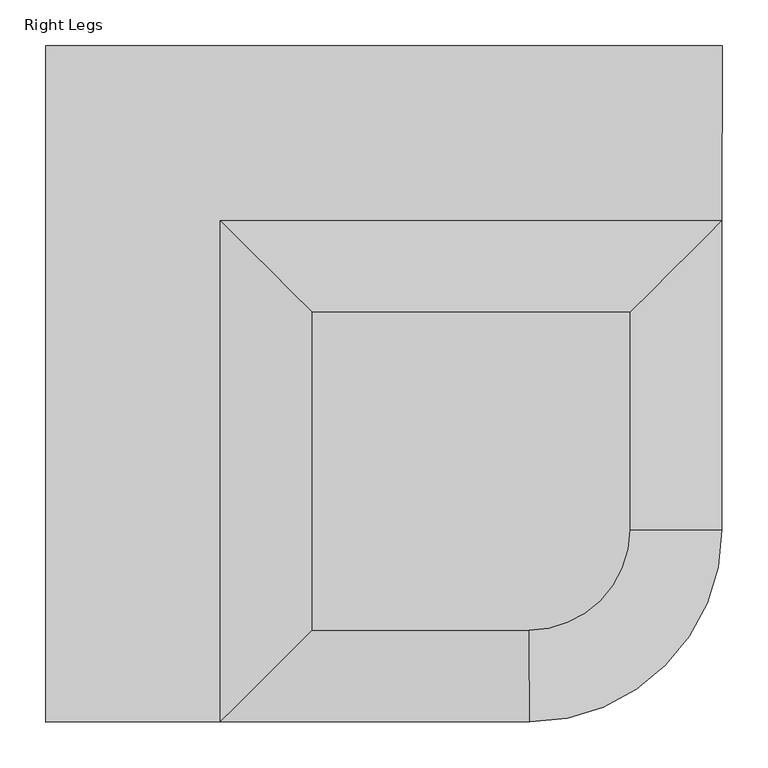
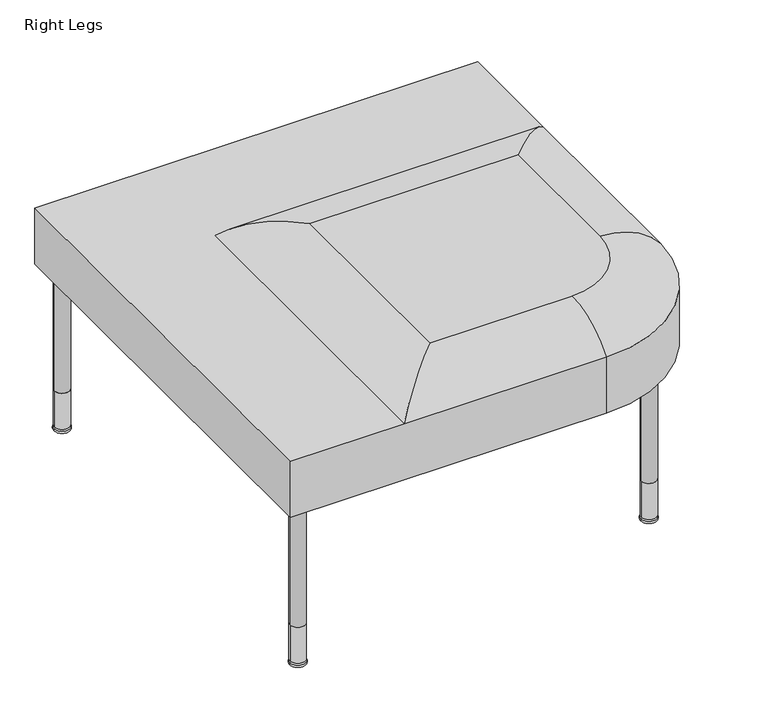
"""IFC4 building model written with IfcOpenShell, lengths in millimetres: furniture geometry, Right Legs."""

from ifc_helpers import new_model, si_unit, point, frame, frame_2d, origin, place, context, project, spatial, polyline, circle_curve, ellipse_curve, trimmed, segment, composite_curve, outline, extrude, source, transform, mapped, element, save
from ifc_brep_helpers import plane_surface, cylinder_surface, revolved_surface, advanced_brep


def right_legs_cd9412fd(model_context):
    return source(origin(), model_context, "Body", "SolidModel", [
        advanced_brep(
        [(526.8740745, -736.3401743, 282.440064), (736.3206968, -526.901289, 282.440064), (736.3206968, -526.901289, 335.7265923), (736.3206968, -526.901289, 381.0), (526.8740745, -736.3401743, 381.0), (526.8740745, -736.3401743, 335.7265923), (721.8792832, -526.8936331, 282.440064), (526.8669522, -721.8987605, 282.440064), (526.8669522, -721.8987605, 335.7265923), (721.8792832, -526.8936331, 335.7265923), (736.6000242, 0.0, 282.440064), (736.6000242, 0.0, 335.7265923), (736.6000242, 0.0, 381.0), (736.4992956, -190.0064436, 381.0), (722.1509508, -14.4414156, 282.440064), (722.1509508, -14.4414156, 335.7265923), (0.0, 0.0, 282.440064), (0.0, 0.0, 335.7265923), (0.0, 0.0, 381.0), (14.4414156, -14.4414156, 282.440064), (14.4414156, -14.4414156, 335.7265923), (0.0, -736.6000242, 282.440064), (0.0, -736.6000242, 335.7265923), (0.0, -736.6000242, 381.0), (14.4414156, -722.1514845, 282.440064), (14.4414156, -722.1514845, 335.7265923), (189.5444624, -736.5065425, 381.0), (189.5444624, -190.0064436, 381.0), (289.3762689, -636.6254876, 427.8106965), (289.3762689, -289.8382502, 427.8106965), (636.614551, -289.8382502, 427.8106965), (636.4889043, -526.8483649, 427.8106965), (526.8248383, -636.5083799, 427.8106965)],
        [
            (0, 1, circle_curve(frame((526.7707262, -526.7901997, 282.440064), z_axis=(0.0, 0.0, 1.0), x_axis=(0.0004931917174324377, -0.9999998783809575, 0.0)), 209.55)),
            (1, 2),
            (2, 3),
            (3, 4, circle_curve(frame((526.7707262, -526.7901997, 381.0), z_axis=(0.0, 0.0, -1.0), x_axis=(0.0004931917174324377, -0.9999998783809575, 0.0)), 209.55)),
            (4, 5),
            (5, 0),
            (6, 7, circle_curve(frame((526.7707262, -526.7901997, 282.440064), z_axis=(0.0, 0.0, -1.0), x_axis=(0.0004931917174324377, -0.9999998783809575, 0.0)), 195.1085844)),
            (7, 8),
            (8, 9, circle_curve(frame((526.7707262, -526.7901997, 335.7265923), z_axis=(0.0, 0.0, 1.0), x_axis=(0.0004931917174324377, -0.9999998783809575, 0.0)), 195.1085844)),
            (9, 6),
            (1, 10),
            (10, 11),
            (11, 12),
            (12, 13),
            (13, 3),
            (14, 6),
            (9, 15),
            (15, 14),
            (10, 16),
            (16, 17),
            (17, 18),
            (18, 12),
            (19, 14),
            (15, 20),
            (20, 19),
            (16, 21),
            (21, 22),
            (22, 23),
            (23, 18),
            (24, 19),
            (20, 25),
            (25, 24),
            (21, 0),
            (4, 26),
            (26, 23),
            (26, 27),
            (27, 13),
            (7, 24),
            (25, 8),
            (26, 28, ellipse_curve(frame((289.3762689, -636.6254876, 297.9511579), z_axis=(-0.7072811292963492, 0.7069323900779204, 0.0), x_axis=(-0.7069323900779205, -0.7072811292963492, 0.0)), 183.6944246, 129.8595386)),
            (28, 29),
            (29, 27, ellipse_curve(frame((289.3762689, -289.8382502, 297.9511579), z_axis=(-0.7071067811865491, -0.7071067811865459, 0.0), x_axis=(0.7071067811865458, -0.7071067811865491, 0.0)), 183.6491207, 129.8595386)),
            (29, 30),
            (30, 13, ellipse_curve(frame((636.614551, -289.8382502, 297.9511579), z_axis=(-0.7069193262538219, 0.7072941864378942, 0.0), x_axis=(-0.707294186437894, -0.7069193262538219, 0.0)), 183.6978192, 129.8595386)),
            (30, 31),
            (31, 3, circle_curve(frame((636.4889043, -526.8483649, 297.9511579), z_axis=(0.0005301323376821898, 0.9999998594798424, 0.0), x_axis=(0.9999998594798424, -0.0005301323376821898, 0.0)), 129.8595386)),
            (31, 32, circle_curve(frame((526.7707262, -526.7901997, 427.8106965), z_axis=(0.0, 0.0, -1.0), x_axis=(0.9999998594798425, -0.0005301323376812425, 0.0)), 109.7181935)),
            (32, 4, circle_curve(frame((526.8248383, -636.5083799, 297.9511579), z_axis=(0.9999998783809576, 0.0004931917174273615, 0.0), x_axis=(0.0004931917174273611, -0.9999998783809578, 0.0)), 129.8595386)),
            (28, 32),
        ],
        [
            cylinder_surface(frame((526.7707262, -526.7901997, 381.0), z_axis=(0.0, 0.0, 1.0), x_axis=(0.0004931917174324377, -0.9999998783809575, 0.0)), 209.55),
            revolved_surface(polyline([(526.866952137826, -721.8987603710808, 335.7265923), (526.866952137826, -721.8987603710808, 282.440064)]), (526.7707262, -526.7901997, 381.0), (0.0, 0.0, 1.0)),
            plane_surface(frame((736.3206968, -526.901289, 282.440064), z_axis=(0.9999998594798425, -0.0005301323376817303, 0.0), x_axis=(0.0005301323376817303, 0.9999998594798425, 0.0))),
            plane_surface(frame((721.8792832, -526.8936331, 381.0), z_axis=(-0.9999998594798425, 0.0005301323376816939, 0.0), x_axis=(0.0005301323376816939, 0.9999998594798425, 0.0))),
            plane_surface(frame((736.6000242, 0.0, 282.440064), z_axis=(0.0, 1.0, 0.0), x_axis=(-1.0, 0.0, 0.0))),
            plane_surface(frame((722.1509508, -14.4414156, 381.0), z_axis=(0.0, -1.0, 0.0), x_axis=(-1.0, 0.0, 0.0))),
            plane_surface(frame((0.0, 0.0, 282.440064), z_axis=(-1.0, 0.0, 0.0), x_axis=(0.0, -1.0, 0.0))),
            plane_surface(frame((14.4414156, -14.4414156, 381.0), z_axis=(1.0, 0.0, 0.0), x_axis=(0.0, -1.0, 0.0))),
            plane_surface(frame((0.0, -736.6000242, 282.440064), z_axis=(0.000493191717439518, -0.9999998783809576, 0.0), x_axis=(0.9999998783809576, 0.000493191717439518, 0.0))),
            plane_surface(frame((0.0, -736.6000242, 381.0), z_axis=(0.0, 0.0, 1.0000000000000002), x_axis=(0.9999998783809576, 0.0004931917174395183, 0.0))),
            plane_surface(frame((14.4414156, -722.1514845, 381.0), z_axis=(-0.0004931917174394526, 0.9999998783809576, 0.0), x_axis=(0.9999998783809576, 0.0004931917174394526, 0.0))),
            plane_surface(frame((14.4414156, -722.1514845, 282.440064), z_axis=(0.0, 0.0, -1.0000000000000002), x_axis=(0.9999998783809576, 0.0004931917174394523, 0.0))),
            plane_surface(frame((0.0, 0.0, 335.7265923), z_axis=(0.0, 0.0, -1.0), x_axis=(0.0, 1.0, 0.0))),
            cylinder_surface(frame((289.3762689, -736.5065425, 297.9511579), z_axis=(0.0, -1.0, 0.0), x_axis=(-1.0, 0.0, 0.0)), 129.8595386),
            cylinder_surface(frame((189.5444624, -289.8382502, 297.9511579), z_axis=(-1.0, 0.0, 0.0), x_axis=(0.0, 1.0, 0.0)), 129.8595386),
            cylinder_surface(frame((636.6675032, -189.9535196, 297.9511579), z_axis=(0.0005301323376821898, 0.9999998594798424, 0.0), x_axis=(0.9999998594798424, -0.0005301323376821898, 0.0)), 129.8595386),
            revolved_surface(trimmed(ellipse_curve(frame((636.4889043, -526.8483649, 297.9511579), z_axis=(0.0005301323376814344, 0.9999998594798427, 0.0), x_axis=(0.9999998594798425, -0.0005301323376814342, 0.0)), 129.8595386, 129.8595386), [point((636.4889043, -526.8483649, 427.8106965))], [point((736.3206968, -526.901289, 381.0))], True, "CARTESIAN"), (526.7707262, -526.7901997, 381.0), (0.0, 0.0, -1.0000000000000002)),
            plane_surface(frame((526.8224533, -631.6724058, 427.8106965), z_axis=(0.0, 0.0, 1.0000000000000002), x_axis=(-0.9999998783809576, -0.0004931917174402172, 0.0))),
            cylinder_surface(frame((526.8248383, -636.5083799, 297.9511579), z_axis=(0.9999998783809575, 0.0004931917174394937, 0.0), x_axis=(0.0004931917174394937, -0.9999998783809575, 0.0)), 129.8595386),
        ],
        [
            (0, [[1, 2, 3, 4, 5, 6]]),
            (1, [[7, 8, 9, 10]]),
            (2, [[11, 12, 13, 14, 15, -3, -2]]),
            (3, [[16, -10, 17, 18]]),
            (4, [[19, 20, 21, 22, -13, -12]]),
            (5, [[23, -18, 24, 25]]),
            (6, [[26, 27, 28, 29, -21, -20]]),
            (7, [[30, -25, 31, 32]]),
            (8, [[33, -6, -5, 34, 35, -28, -27]]),
            (9, [[-22, -29, -35, 36, 37, -14]]),
            (10, [[38, -32, 39, -8]]),
            (11, [[-1, -33, -26, -19, -11], [-7, -16, -23, -30, -38]]),
            (12, [[-9, -39, -31, -24, -17]]),
            (13, [[40, 41, 42, -36]]),
            (14, [[-42, 43, 44, -37]]),
            (15, [[-44, 45, 46, -15]]),
            (16, [[-46, 47, 48, -4]]),
            (17, [[-41, 49, -47, -45, -43]]),
            (18, [[-40, -34, -48, -49]]),
        ],
    ),
        extrude(outline(polyline([(45.805766, -27.9229209), (243.9431223, -226.0602749), (225.9826089, -244.0207884), (27.8452548, -45.8834321), (45.805766, -27.9229209)])), frame((0.0, 0.0, 282.440064), z_axis=(0.0, 0.0, 1.0), x_axis=(1.0, 0.0, 0.0)), (0.0, 0.0, 1.0), 47.7899994),
        extrude(outline(polyline([(708.9096359, -45.9032165), (582.0497921, -172.7630194), (546.1287652, -172.7630194), (690.9491043, -27.942703), (708.9096359, -45.9032165)])), frame((0.0, 0.0, 282.440064), z_axis=(0.0, 0.0, 1.0), x_axis=(1.0, 0.0, 0.0)), (0.0, 0.0, 1.0), 47.7899994),
        extrude(outline(polyline([(609.6533394, -591.6151606), (648.3290314, -630.2908882), (630.3684998, -648.2513472), (591.6928263, -609.5756737), (609.6533394, -591.6151606)])), frame((0.0, 0.0, 282.440064), z_axis=(0.0, 0.0, 1.0), x_axis=(1.0, 0.0, 0.0)), (0.0, 0.0, 1.0), 47.7899994),
        extrude(outline(polyline([(172.7661079, -581.8452624), (45.9063049, -708.7050699), (27.9457938, -690.7445383), (172.7661079, -545.9242719), (172.7661079, -581.8452624)])), frame((0.0, 0.0, 282.440064), z_axis=(0.0, 0.0, 1.0), x_axis=(1.0, 0.0, 0.0)), (0.0, 0.0, 1.0), 47.7899994),
        extrude(outline(polyline([(490.6595129, -674.6879602), (674.6879602, -490.6595129), (674.6879602, -80.2517512), (700.087936, -54.8517482), (700.087936, -501.180564), (501.180564, -700.087936), (54.5234385, -700.087936), (79.9234134, -674.6879602), (490.6595129, -674.6879602)])), frame((0.0, 0.0, 282.440064), z_axis=(0.0, 0.0, 1.0), x_axis=(1.0, 0.0, 0.0)), (0.0, 0.0, 1.0), 47.7899994),
        extrude(outline(polyline([(199.0479884, -674.6879602), (173.6479945, -674.6879602), (173.6479945, -296.3554028), (296.3554028, -173.6479945), (674.6879602, -173.6479945), (674.6879602, -199.0479884), (306.8764358, -199.0479884), (199.0479884, -306.8764358), (199.0479884, -674.6879602)])), frame((0.0, 0.0, 282.440064), z_axis=(0.0, 0.0, 1.0), x_axis=(1.0, 0.0, 0.0)), (0.0, 0.0, 1.0), 47.7899994),
        extrude(outline(composite_curve([segment(trimmed(circle_curve(frame_2d((707.9246089, -28.684334)), 12.7000004), [point((695.2246086, -28.684334))], [point((720.6246093, -28.684334))], False, "CARTESIAN"), True, "CONTINUOUS"), segment(trimmed(circle_curve(frame_2d((707.9246089, -28.684334)), 12.7000004), [point((720.6246093, -28.684334))], [point((695.2246086, -28.684334))], False, "CARTESIAN"), True, "CONTINUOUS")], self_intersect=False)), frame((0.0, 0.0, 70.9995266), z_axis=(0.0, 0.0, 1.0), x_axis=(1.0, 0.0, 0.0)), (0.0, 0.0, 1.0), 264.0185417),
        advanced_brep(
        [(720.6246093, -28.684334, 7.4421999), (695.2246086, -28.684334, 7.4421999), (695.2246086, -28.684334, 70.9995266), (720.6246093, -28.684334, 70.9995266), (717.7482985, -28.684334, 7.4421999), (698.1009194, -28.684334, 7.4421999), (720.9494418, -28.684334, 4.2410566), (694.899776, -28.684334, 4.2410566), (719.1927387, -28.684334, 0.0), (696.6564792, -28.684334, 0.0), (707.9246089, -28.684334, 0.0), (707.9246089, -28.684334, 70.9995266)],
        [
            (0, 1, circle_curve(frame((707.9246089, -28.684334, 7.4421999), z_axis=(0.0, 0.0, 1.0), x_axis=(-1.0, 0.0, 0.0)), 12.7000004)),
            (1, 2),
            (2, 3, circle_curve(frame((707.9246089, -28.684334, 70.9995266), z_axis=(0.0, 0.0, -1.0), x_axis=(-1.0, 0.0, 0.0)), 12.7000004)),
            (3, 0),
            (1, 0, circle_curve(frame((707.9246089, -28.684334, 7.4421999), z_axis=(0.0, 0.0, 1.0), x_axis=(-1.0, 0.0, 0.0)), 12.7000004)),
            (3, 2, circle_curve(frame((707.9246089, -28.684334, 70.9995266), z_axis=(0.0, 0.0, -1.0), x_axis=(-1.0, 0.0, 0.0)), 12.7000004)),
            (4, 5, circle_curve(frame((707.9246089, -28.684334, 7.4421999), z_axis=(0.0, 0.0, 1.0), x_axis=(-1.0, 0.0, 0.0)), 9.8236895)),
            (5, 1),
            (0, 4),
            (5, 4, circle_curve(frame((707.9246089, -28.684334, 7.4421999), z_axis=(0.0, 0.0, 1.0), x_axis=(-1.0, 0.0, 0.0)), 9.8236895)),
            (6, 7, circle_curve(frame((707.9246089, -28.684334, 4.2410566), z_axis=(0.0, 0.0, 1.0), x_axis=(-1.0, 0.0, 0.0)), 13.0248329)),
            (7, 5),
            (4, 6),
            (7, 6, circle_curve(frame((707.9246089, -28.684334, 4.2410566), z_axis=(0.0, 0.0, 1.0), x_axis=(-1.0, 0.0, 0.0)), 13.0248329)),
            (8, 9, circle_curve(frame((707.9246089, -28.684334, 0.0), z_axis=(0.0, 0.0, 1.0), x_axis=(-1.0, 0.0, 0.0)), 11.2681298)),
            (9, 7, circle_curve(frame((696.6564792, -28.684334, 2.4843534), z_axis=(0.0, 1.0, 0.0), x_axis=(1.0, 0.0, 0.0)), 2.4843534)),
            (6, 8, circle_curve(frame((719.1927387, -28.684334, 2.4843534), z_axis=(0.0, 1.0, 0.0), x_axis=(-1.0, 0.0, 0.0)), 2.4843534)),
            (9, 8, circle_curve(frame((707.9246089, -28.684334, 0.0), z_axis=(0.0, 0.0, 1.0), x_axis=(-1.0, 0.0, 0.0)), 11.2681298)),
            (10, 9),
            (8, 10),
            (2, 11),
            (11, 3),
        ],
        [
            cylinder_surface(frame((707.9246089, -28.684334, 335.1021838), z_axis=(0.0, 0.0, -1.0), x_axis=(-1.0, 0.0, 0.0)), 12.7000004),
            plane_surface(frame((707.9246089, -28.684334, 7.4421999), z_axis=(0.0, 0.0, -1.0), x_axis=(-1.0, 0.0, 0.0))),
            revolved_surface(polyline([(698.1009194, -28.684334, 7.4421999), (694.899776, -28.684334, 4.2410566)]), (707.9246089, -28.684334, 335.1021838), (0.0, 0.0, -1.0)),
            revolved_surface(trimmed(ellipse_curve(frame((696.6564792, -28.684334, 2.4843534), z_axis=(0.0, -1.0, 0.0), x_axis=(1.0, 0.0, 0.0)), 2.4843534, 2.4843534), [point((694.899776, -28.684334, 4.2410566))], [point((696.6564792, -28.684334, 0.0))], True, "CARTESIAN"), (707.9246089, -28.684334, 335.1021838), (0.0, 0.0, -1.0)),
            plane_surface(frame((707.9246089, -28.684334, 0.0), z_axis=(0.0, 0.0, -1.0), x_axis=(-1.0, 0.0, 0.0))),
            plane_surface(frame((707.9246089, -28.684334, 70.9995266), z_axis=(0.0, 0.0, 1.0), x_axis=(-1.0, 0.0, 0.0))),
        ],
        [
            (0, [[1, 2, 3, 4]]),
            (0, [[5, -4, 6, -2]]),
            (1, [[7, 8, -1, 9]]),
            (1, [[10, -9, -5, -8]]),
            (2, [[11, 12, -7, 13]]),
            (2, [[14, -13, -10, -12]]),
            (3, [[15, 16, -11, 17]]),
            (3, [[18, -17, -14, -16]]),
            (4, [[19, -15, 20]]),
            (4, [[-20, -18, -19]]),
            (5, [[-3, 21, 22]]),
            (5, [[-6, -22, -21]]),
        ],
    ),
        extrude(outline(composite_curve([segment(trimmed(circle_curve(frame_2d((647.6318138, -647.7222988)), 12.7000004), [point((634.9318135, -647.7222988))], [point((660.3318142, -647.7222988))], False, "CARTESIAN"), True, "CONTINUOUS"), segment(trimmed(circle_curve(frame_2d((647.6318138, -647.7222988)), 12.7000004), [point((660.3318142, -647.7222988))], [point((634.9318135, -647.7222988))], False, "CARTESIAN"), True, "CONTINUOUS")], self_intersect=False)), frame((0.0, 0.0, 70.9995266), z_axis=(0.0, 0.0, 1.0), x_axis=(1.0, 0.0, 0.0)), (0.0, 0.0, 1.0), 264.0185417),
        advanced_brep(
        [(660.3318142, -647.7222988, 7.4421999), (634.9318135, -647.7222988, 7.4421999), (634.9318135, -647.7222988, 70.9995266), (660.3318142, -647.7222988, 70.9995266), (657.4555034, -647.7222988, 7.4421999), (637.8081243, -647.7222988, 7.4421999), (660.6566468, -647.7222988, 4.2410566), (634.6069809, -647.7222988, 4.2410566), (658.8999436, -647.7222988, 0.0), (636.3636841, -647.7222988, 0.0), (647.6318138, -647.7222988, 0.0), (647.6318138, -647.7222988, 70.9995266)],
        [
            (0, 1, circle_curve(frame((647.6318138, -647.7222988, 7.4421999), z_axis=(0.0, 0.0, 1.0), x_axis=(-1.0, 0.0, 0.0)), 12.7000004)),
            (1, 2),
            (2, 3, circle_curve(frame((647.6318138, -647.7222988, 70.9995266), z_axis=(0.0, 0.0, -1.0), x_axis=(-1.0, 0.0, 0.0)), 12.7000004)),
            (3, 0),
            (1, 0, circle_curve(frame((647.6318138, -647.7222988, 7.4421999), z_axis=(0.0, 0.0, 1.0), x_axis=(-1.0, 0.0, 0.0)), 12.7000004)),
            (3, 2, circle_curve(frame((647.6318138, -647.7222988, 70.9995266), z_axis=(0.0, 0.0, -1.0), x_axis=(-1.0, 0.0, 0.0)), 12.7000004)),
            (4, 5, circle_curve(frame((647.6318138, -647.7222988, 7.4421999), z_axis=(0.0, 0.0, 1.0), x_axis=(-1.0, 0.0, 0.0)), 9.8236895)),
            (5, 1),
            (0, 4),
            (5, 4, circle_curve(frame((647.6318138, -647.7222988, 7.4421999), z_axis=(0.0, 0.0, 1.0), x_axis=(-1.0, 0.0, 0.0)), 9.8236895)),
            (6, 7, circle_curve(frame((647.6318138, -647.7222988, 4.2410566), z_axis=(0.0, 0.0, 1.0), x_axis=(-1.0, 0.0, 0.0)), 13.0248329)),
            (7, 5),
            (4, 6),
            (7, 6, circle_curve(frame((647.6318138, -647.7222988, 4.2410566), z_axis=(0.0, 0.0, 1.0), x_axis=(-1.0, 0.0, 0.0)), 13.0248329)),
            (8, 9, circle_curve(frame((647.6318138, -647.7222988, 0.0), z_axis=(0.0, 0.0, 1.0), x_axis=(-1.0, 0.0, 0.0)), 11.2681298)),
            (9, 7, circle_curve(frame((636.3636841, -647.7222988, 2.4843534), z_axis=(0.0, 1.0, 0.0), x_axis=(1.0, 0.0, 0.0)), 2.4843534)),
            (6, 8, circle_curve(frame((658.8999436, -647.7222988, 2.4843534), z_axis=(0.0, 1.0, 0.0), x_axis=(-1.0, 0.0, 0.0)), 2.4843534)),
            (9, 8, circle_curve(frame((647.6318138, -647.7222988, 0.0), z_axis=(0.0, 0.0, 1.0), x_axis=(-1.0, 0.0, 0.0)), 11.2681298)),
            (10, 9),
            (8, 10),
            (2, 11),
            (11, 3),
        ],
        [
            cylinder_surface(frame((647.6318138, -647.7222988, 335.1021838), z_axis=(0.0, 0.0, -1.0), x_axis=(-1.0, 0.0, 0.0)), 12.7000004),
            plane_surface(frame((647.6318138, -647.7222988, 7.4421999), z_axis=(0.0, 0.0, -1.0), x_axis=(-1.0, 0.0, 0.0))),
            revolved_surface(polyline([(637.8081243, -647.7222988, 7.4421999), (634.6069809, -647.7222988, 4.2410566)]), (647.6318138, -647.7222988, 335.1021838), (0.0, 0.0, -1.0)),
            revolved_surface(trimmed(ellipse_curve(frame((636.3636841, -647.7222988, 2.4843534), z_axis=(0.0, -1.0, 0.0), x_axis=(1.0, 0.0, 0.0)), 2.4843534, 2.4843534), [point((634.6069809, -647.7222988, 4.2410566))], [point((636.3636841, -647.7222988, 0.0))], True, "CARTESIAN"), (647.6318138, -647.7222988, 335.1021838), (0.0, 0.0, -1.0)),
            plane_surface(frame((647.6318138, -647.7222988, 0.0), z_axis=(0.0, 0.0, -1.0), x_axis=(-1.0, 0.0, 0.0))),
            plane_surface(frame((647.6318138, -647.7222988, 70.9995266), z_axis=(0.0, 0.0, 1.0), x_axis=(-1.0, 0.0, 0.0))),
        ],
        [
            (0, [[1, 2, 3, 4]]),
            (0, [[5, -4, 6, -2]]),
            (1, [[7, 8, -1, 9]]),
            (1, [[10, -9, -5, -8]]),
            (2, [[11, 12, -7, 13]]),
            (2, [[14, -13, -10, -12]]),
            (3, [[15, 16, -11, 17]]),
            (3, [[18, -17, -14, -16]]),
            (4, [[19, -15, 20]]),
            (4, [[-20, -18, -19]]),
            (5, [[-3, 21, 22]]),
            (5, [[-6, -22, -21]]),
        ],
    ),
        extrude(outline(composite_curve([segment(trimmed(circle_curve(frame_2d((28.5207487, -708.0705302)), 12.7000004), [point((15.8207483, -708.0705302))], [point((41.2207491, -708.0705302))], False, "CARTESIAN"), True, "CONTINUOUS"), segment(trimmed(circle_curve(frame_2d((28.5207487, -708.0705302)), 12.7000004), [point((41.2207491, -708.0705302))], [point((15.8207483, -708.0705302))], False, "CARTESIAN"), True, "CONTINUOUS")], self_intersect=False)), frame((0.0, 0.0, 70.9995266), z_axis=(0.0, 0.0, 1.0), x_axis=(1.0, 0.0, 0.0)), (0.0, 0.0, 1.0), 264.0185417),
        advanced_brep(
        [(41.2207491, -708.0705302, 7.4421999), (15.8207483, -708.0705302, 7.4421999), (15.8207483, -708.0705302, 70.9995266), (41.2207491, -708.0705302, 70.9995266), (38.3444382, -708.0705302, 7.4421999), (18.6970592, -708.0705302, 7.4421999), (41.5455816, -708.0705302, 4.2410566), (15.4959158, -708.0705302, 4.2410566), (39.7888785, -708.0705302, 0.0), (17.252619, -708.0705302, 0.0), (28.5207487, -708.0705302, 0.0), (28.5207487, -708.0705302, 70.9995266)],
        [
            (0, 1, circle_curve(frame((28.5207487, -708.0705302, 7.4421999), z_axis=(0.0, 0.0, 1.0), x_axis=(-1.0, 0.0, 0.0)), 12.7000004)),
            (1, 2),
            (2, 3, circle_curve(frame((28.5207487, -708.0705302, 70.9995266), z_axis=(0.0, 0.0, -1.0), x_axis=(-1.0, 0.0, 0.0)), 12.7000004)),
            (3, 0),
            (1, 0, circle_curve(frame((28.5207487, -708.0705302, 7.4421999), z_axis=(0.0, 0.0, 1.0), x_axis=(-1.0, 0.0, 0.0)), 12.7000004)),
            (3, 2, circle_curve(frame((28.5207487, -708.0705302, 70.9995266), z_axis=(0.0, 0.0, -1.0), x_axis=(-1.0, 0.0, 0.0)), 12.7000004)),
            (4, 5, circle_curve(frame((28.5207487, -708.0705302, 7.4421999), z_axis=(0.0, 0.0, 1.0), x_axis=(-1.0, 0.0, 0.0)), 9.8236895)),
            (5, 1),
            (0, 4),
            (5, 4, circle_curve(frame((28.5207487, -708.0705302, 7.4421999), z_axis=(0.0, 0.0, 1.0), x_axis=(-1.0, 0.0, 0.0)), 9.8236895)),
            (6, 7, circle_curve(frame((28.5207487, -708.0705302, 4.2410566), z_axis=(0.0, 0.0, 1.0), x_axis=(-1.0, 0.0, 0.0)), 13.0248329)),
            (7, 5),
            (4, 6),
            (7, 6, circle_curve(frame((28.5207487, -708.0705302, 4.2410566), z_axis=(0.0, 0.0, 1.0), x_axis=(-1.0, 0.0, 0.0)), 13.0248329)),
            (8, 9, circle_curve(frame((28.5207487, -708.0705302, 0.0), z_axis=(0.0, 0.0, 1.0), x_axis=(-1.0, 0.0, 0.0)), 11.2681298)),
            (9, 7, circle_curve(frame((17.252619, -708.0705302, 2.4843534), z_axis=(0.0, 1.0, 0.0), x_axis=(1.0, 0.0, 0.0)), 2.4843534)),
            (6, 8, circle_curve(frame((39.7888785, -708.0705302, 2.4843534), z_axis=(0.0, 1.0, 0.0), x_axis=(-1.0, 0.0, 0.0)), 2.4843534)),
            (9, 8, circle_curve(frame((28.5207487, -708.0705302, 0.0), z_axis=(0.0, 0.0, 1.0), x_axis=(-1.0, 0.0, 0.0)), 11.2681298)),
            (10, 9),
            (8, 10),
            (2, 11),
            (11, 3),
        ],
        [
            cylinder_surface(frame((28.5207487, -708.0705302, 335.1021838), z_axis=(0.0, 0.0, -1.0), x_axis=(-1.0, 0.0, 0.0)), 12.7000004),
            plane_surface(frame((28.5207487, -708.0705302, 7.4421999), z_axis=(0.0, 0.0, -1.0), x_axis=(-1.0, 0.0, 0.0))),
            revolved_surface(polyline([(18.6970592, -708.0705302, 7.4421999), (15.4959158, -708.0705302, 4.2410566)]), (28.5207487, -708.0705302, 335.1021838), (0.0, 0.0, -1.0)),
            revolved_surface(trimmed(ellipse_curve(frame((17.252619, -708.0705302, 2.4843534), z_axis=(0.0, -1.0, 0.0), x_axis=(1.0, 0.0, 0.0)), 2.4843534, 2.4843534), [point((15.4959158, -708.0705302, 4.2410566))], [point((17.252619, -708.0705302, 0.0))], True, "CARTESIAN"), (28.5207487, -708.0705302, 335.1021838), (0.0, 0.0, -1.0)),
            plane_surface(frame((28.5207487, -708.0705302, 0.0), z_axis=(0.0, 0.0, -1.0), x_axis=(-1.0, 0.0, 0.0))),
            plane_surface(frame((28.5207487, -708.0705302, 70.9995266), z_axis=(0.0, 0.0, 1.0), x_axis=(-1.0, 0.0, 0.0))),
        ],
        [
            (0, [[1, 2, 3, 4]]),
            (0, [[5, -4, 6, -2]]),
            (1, [[7, 8, -1, 9]]),
            (1, [[10, -9, -5, -8]]),
            (2, [[11, 12, -7, 13]]),
            (2, [[14, -13, -10, -12]]),
            (3, [[15, 16, -11, 17]]),
            (3, [[18, -17, -14, -16]]),
            (4, [[19, -15, 20]]),
            (4, [[-20, -18, -19]]),
            (5, [[-3, 21, 22]]),
            (5, [[-6, -22, -21]]),
        ],
    ),
        extrude(outline(composite_curve([segment(trimmed(circle_curve(frame_2d((28.5207487, -28.6205302)), 12.7000004), [point((15.8207483, -28.6205302))], [point((41.2207491, -28.6205302))], False, "CARTESIAN"), True, "CONTINUOUS"), segment(trimmed(circle_curve(frame_2d((28.5207487, -28.6205302)), 12.7000004), [point((41.2207491, -28.6205302))], [point((15.8207483, -28.6205302))], False, "CARTESIAN"), True, "CONTINUOUS")], self_intersect=False)), frame((0.0, 0.0, 70.9995266), z_axis=(0.0, 0.0, 1.0), x_axis=(1.0, 0.0, 0.0)), (0.0, 0.0, 1.0), 264.0185417),
        advanced_brep(
        [(41.2207491, -28.6205302, 7.4421999), (15.8207483, -28.6205302, 7.4421999), (15.8207483, -28.6205302, 70.9995266), (41.2207491, -28.6205302, 70.9995266), (38.3444382, -28.6205302, 7.4421999), (18.6970592, -28.6205302, 7.4421999), (41.5455816, -28.6205302, 4.2410566), (15.4959158, -28.6205302, 4.2410566), (39.7888785, -28.6205302, 0.0), (17.252619, -28.6205302, 0.0), (28.5207487, -28.6205302, 0.0), (28.5207487, -28.6205302, 70.9995266)],
        [
            (0, 1, circle_curve(frame((28.5207487, -28.6205302, 7.4421999), z_axis=(0.0, 0.0, 1.0), x_axis=(-1.0, 0.0, 0.0)), 12.7000004)),
            (1, 2),
            (2, 3, circle_curve(frame((28.5207487, -28.6205302, 70.9995266), z_axis=(0.0, 0.0, -1.0), x_axis=(-1.0, 0.0, 0.0)), 12.7000004)),
            (3, 0),
            (1, 0, circle_curve(frame((28.5207487, -28.6205302, 7.4421999), z_axis=(0.0, 0.0, 1.0), x_axis=(-1.0, 0.0, 0.0)), 12.7000004)),
            (3, 2, circle_curve(frame((28.5207487, -28.6205302, 70.9995266), z_axis=(0.0, 0.0, -1.0), x_axis=(-1.0, 0.0, 0.0)), 12.7000004)),
            (4, 5, circle_curve(frame((28.5207487, -28.6205302, 7.4421999), z_axis=(0.0, 0.0, 1.0), x_axis=(-1.0, 0.0, 0.0)), 9.8236895)),
            (5, 1),
            (0, 4),
            (5, 4, circle_curve(frame((28.5207487, -28.6205302, 7.4421999), z_axis=(0.0, 0.0, 1.0), x_axis=(-1.0, 0.0, 0.0)), 9.8236895)),
            (6, 7, circle_curve(frame((28.5207487, -28.6205302, 4.2410566), z_axis=(0.0, 0.0, 1.0), x_axis=(-1.0, 0.0, 0.0)), 13.0248329)),
            (7, 5),
            (4, 6),
            (7, 6, circle_curve(frame((28.5207487, -28.6205302, 4.2410566), z_axis=(0.0, 0.0, 1.0), x_axis=(-1.0, 0.0, 0.0)), 13.0248329)),
            (8, 9, circle_curve(frame((28.5207487, -28.6205302, 0.0), z_axis=(0.0, 0.0, 1.0), x_axis=(-1.0, 0.0, 0.0)), 11.2681298)),
            (9, 7, circle_curve(frame((17.252619, -28.6205302, 2.4843534), z_axis=(0.0, 1.0, 0.0), x_axis=(1.0, 0.0, 0.0)), 2.4843534)),
            (6, 8, circle_curve(frame((39.7888785, -28.6205302, 2.4843534), z_axis=(0.0, 1.0, 0.0), x_axis=(-1.0, 0.0, 0.0)), 2.4843534)),
            (9, 8, circle_curve(frame((28.5207487, -28.6205302, 0.0), z_axis=(0.0, 0.0, 1.0), x_axis=(-1.0, 0.0, 0.0)), 11.2681298)),
            (10, 9),
            (8, 10),
            (2, 11),
            (11, 3),
        ],
        [
            cylinder_surface(frame((28.5207487, -28.6205302, 335.1021838), z_axis=(0.0, 0.0, -1.0), x_axis=(-1.0, 0.0, 0.0)), 12.7000004),
            plane_surface(frame((28.5207487, -28.6205302, 7.4421999), z_axis=(0.0, 0.0, -1.0), x_axis=(-1.0, 0.0, 0.0))),
            revolved_surface(polyline([(18.6970592, -28.6205302, 7.4421999), (15.4959158, -28.6205302, 4.2410566)]), (28.5207487, -28.6205302, 335.1021838), (0.0, 0.0, -1.0)),
            revolved_surface(trimmed(ellipse_curve(frame((17.252619, -28.6205302, 2.4843534), z_axis=(0.0, -1.0, 0.0), x_axis=(1.0, 0.0, 0.0)), 2.4843534, 2.4843534), [point((15.4959158, -28.6205302, 4.2410566))], [point((17.252619, -28.6205302, 0.0))], True, "CARTESIAN"), (28.5207487, -28.6205302, 335.1021838), (0.0, 0.0, -1.0)),
            plane_surface(frame((28.5207487, -28.6205302, 0.0), z_axis=(0.0, 0.0, -1.0), x_axis=(-1.0, 0.0, 0.0))),
            plane_surface(frame((28.5207487, -28.6205302, 70.9995266), z_axis=(0.0, 0.0, 1.0), x_axis=(-1.0, 0.0, 0.0))),
        ],
        [
            (0, [[1, 2, 3, 4]]),
            (0, [[5, -4, 6, -2]]),
            (1, [[7, 8, -1, 9]]),
            (1, [[10, -9, -5, -8]]),
            (2, [[11, 12, -7, 13]]),
            (2, [[14, -13, -10, -12]]),
            (3, [[15, 16, -11, 17]]),
            (3, [[18, -17, -14, -16]]),
            (4, [[19, -15, 20]]),
            (4, [[-20, -18, -19]]),
            (5, [[-3, 21, 22]]),
            (5, [[-6, -22, -21]]),
        ],
    ),
    ])


if __name__ == "__main__":
    model = new_model("IFC4")
    model_context = context("Model", 3, world=origin())
    ifc_project = project(units=[si_unit("LENGTHUNIT", "METRE", prefix="MILLI")], contexts=[model_context])
    site = spatial("IfcSite", under=ifc_project)
    building = spatial("IfcBuilding", under=site)
    placement = place(None, origin())
    right_legs_shape = right_legs_cd9412fd(model_context)
    element("IfcFurniture", 1, ObjectType="Right Legs", at=placement, inside=building, context=model_context, shape_type="MappedRepresentation", body=[
        mapped(right_legs_shape, transform((0.0, 0.0, 0.0), x_axis=(1.0, 0.0, 0.0), y_axis=(0.0, 1.0, 0.0), z_axis=(0.0, 0.0, 1.0))),
    ])
    save(model, "model.ifc")
